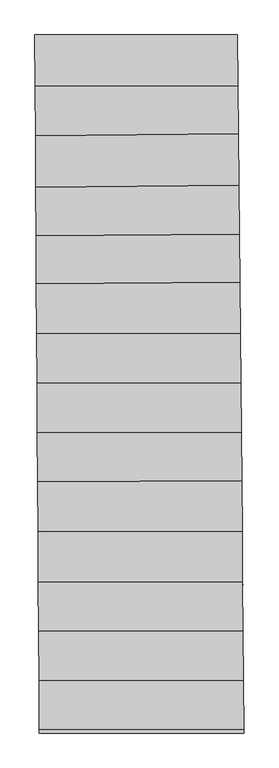
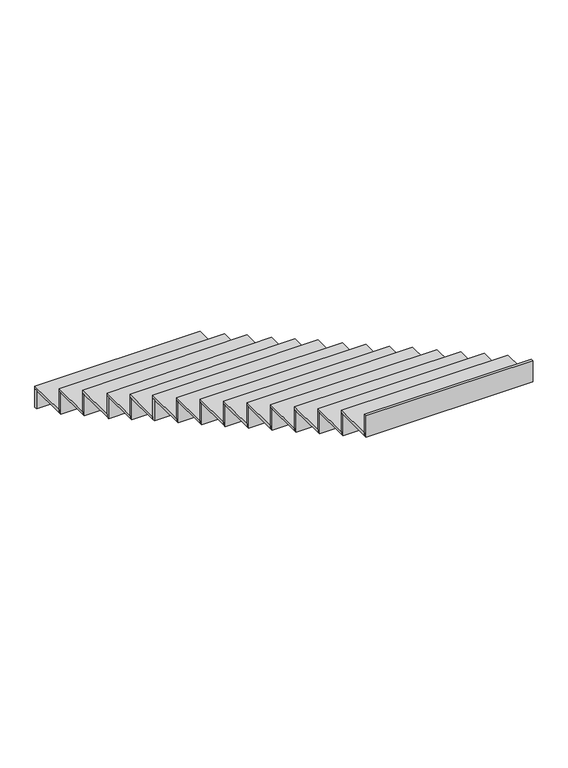
"""IFC4 building model written with IfcOpenShell, lengths in millimetres: stair flight geometry."""

from ifc_helpers import new_model, si_unit, frame, origin, place, context, project, spatial, polyline, outline, extrude, source, transform, mapped, element, save


def stair_flight_04e07ef4(model_context):
    return source(origin(), model_context, "Body", "SweptSolid", [
        extrude(outline(polyline([(112510.7137619, 73132.2398781), (112510.5868484, 73152.2398781), (113698.8256624, 73152.2398781), (113699.0102988, 73132.2398781), (112510.7137619, 73132.2398781)])), frame((0.0, 0.0, -2346.5), z_axis=(0.0, 0.0, 1.0), x_axis=(1.0, 0.0, 0.0)), (0.0, 0.0, 1.0), 141.5197413),
        extrude(outline(polyline([(113701.5951948, 72852.2413952), (112512.4948044, 72851.5694369), (112510.5868484, 73152.2398781), (113698.8256624, 73152.2398781), (113701.5951948, 72852.2413952)])), frame((0.0, 0.0, -2204.9802587), z_axis=(0.0, 0.0, 1.0), x_axis=(1.0, 0.0, 0.0)), (0.0, 0.0, 1.0), 20.0),
        extrude(outline(polyline([(112512.6217174, 72831.5695054), (112512.4948044, 72851.5694369), (113701.5951948, 72852.2413952), (113701.7798303, 72832.2414964), (112512.6217174, 72831.5695054)])), frame((0.0, 0.0, -2204.9802587), z_axis=(0.0, 0.0, 1.0), x_axis=(1.0, 0.0, 0.0)), (0.0, 0.0, 1.0), 161.5197413),
        extrude(outline(polyline([(113704.1698185, 72573.3556229), (112514.3299612, 72562.3712337), (112512.4948044, 72851.5694369), (113701.5951948, 72852.2413952), (113704.1698185, 72573.3556229)])), frame((0.0, 0.0, -2043.4605175), z_axis=(0.0, 0.0, 1.0), x_axis=(1.0, 0.0, 0.0)), (0.0, 0.0, 1.0), 20.0),
        extrude(outline(polyline([(112514.4568727, 72542.3715531), (112514.3299612, 72562.3712337), (113704.1698185, 72573.3556229), (113704.3544471, 72553.3564751), (112514.4568727, 72542.3715531)])), frame((0.0, 0.0, -2043.4605175), z_axis=(0.0, 0.0, 1.0), x_axis=(1.0, 0.0, 0.0)), (0.0, 0.0, 1.0), 161.5197413),
        extrude(outline(polyline([(113706.9392469, 72273.368406), (112516.2336324, 72262.3760244), (112514.3299612, 72562.3712337), (113704.1698185, 72573.3556229), (113706.9392469, 72273.368406)])), frame((0.0, 0.0, -1881.9407762), z_axis=(0.0, 0.0, 1.0), x_axis=(1.0, 0.0, 0.0)), (0.0, 0.0, 1.0), 20.0),
        extrude(outline(polyline([(112516.3605438, 72242.3763437), (112516.2336324, 72262.3760244), (113706.9392469, 72273.368406), (113707.1238755, 72253.3692582), (112516.3605438, 72242.3763437)])), frame((0.0, 0.0, -1881.9407762), z_axis=(0.0, 0.0, 1.0), x_axis=(1.0, 0.0, 0.0)), (0.0, 0.0, 1.0), 161.5197413),
        extrude(outline(polyline([(113709.6029306, 71984.8355677), (112518.0425582, 71977.3115178), (112516.2336324, 72262.3760244), (113706.9392469, 72273.368406), (113709.6029306, 71984.8355677)])), frame((0.0, 0.0, -1720.421035), z_axis=(0.0, 0.0, 1.0), x_axis=(1.0, 0.0, 0.0)), (0.0, 0.0, 1.0), 20.0),
        extrude(outline(polyline([(112518.1694691, 71957.3119204), (112518.0425582, 71977.3115178), (113709.6029306, 71984.8355677), (113709.7875599, 71964.8363348), (112518.1694691, 71957.3119204)])), frame((0.0, 0.0, -1720.421035), z_axis=(0.0, 0.0, 1.0), x_axis=(1.0, 0.0, 0.0)), (0.0, 0.0, 1.0), 161.5197413),
        extrude(outline(polyline([(113712.1877415, 71704.8463073), (112519.8193105, 71697.3171549), (112518.0425582, 71977.3115178), (113709.6029306, 71984.8355677), (113712.1877415, 71704.8463073)])), frame((0.0, 0.0, -1558.9012937), z_axis=(0.0, 0.0, 1.0), x_axis=(1.0, 0.0, 0.0)), (0.0, 0.0, 1.0), 20.0),
        extrude(outline(polyline([(112519.9462214, 71677.3175576), (112519.8193105, 71697.3171549), (113712.1877415, 71704.8463073), (113712.3723708, 71684.8470744), (112519.9462214, 71677.3175576)])), frame((0.0, 0.0, -1558.9012937), z_axis=(0.0, 0.0, 1.0), x_axis=(1.0, 0.0, 0.0)), (0.0, 0.0, 1.0), 161.5197413),
        extrude(outline(polyline([(113714.9569702, 71404.880727), (112521.6792951, 71404.2064081), (112519.8193105, 71697.3171549), (113712.1877415, 71704.8463073), (113714.9569702, 71404.880727)])), frame((0.0, 0.0, -1397.3815524), z_axis=(0.0, 0.0, 1.0), x_axis=(1.0, 0.0, 0.0)), (0.0, 0.0, 1.0), 20.0),
        extrude(outline(polyline([(112521.8062081, 71384.2064766), (112521.6792951, 71404.2064081), (113714.9569702, 71404.880727), (113715.1416056, 71384.8808282), (112521.8062081, 71384.2064766)])), frame((0.0, 0.0, -1397.3815524), z_axis=(0.0, 0.0, 1.0), x_axis=(1.0, 0.0, 0.0)), (0.0, 0.0, 1.0), 161.5197413),
        extrude(outline(polyline([(113717.6342639, 71114.873635), (112523.5195879, 71114.1988431), (112521.6792951, 71404.2064081), (113714.9569702, 71404.880727), (113717.6342639, 71114.873635)])), frame((0.0, 0.0, -1235.8618112), z_axis=(0.0, 0.0, 1.0), x_axis=(1.0, 0.0, 0.0)), (0.0, 0.0, 1.0), 20.0),
        extrude(outline(polyline([(112523.6465009, 71094.1989116), (112523.5195879, 71114.1988431), (113717.6342639, 71114.873635), (113717.8188993, 71094.8737361), (112523.6465009, 71094.1989116)])), frame((0.0, 0.0, -1235.8618112), z_axis=(0.0, 0.0, 1.0), x_axis=(1.0, 0.0, 0.0)), (0.0, 0.0, 1.0), 161.5197413),
        extrude(outline(polyline([(113720.3115576, 70824.866543), (112525.3598808, 70824.1912781), (112523.5195879, 71114.1988431), (113717.6342639, 71114.873635), (113720.3115576, 70824.866543)])), frame((0.0, 0.0, -1074.3420699), z_axis=(0.0, 0.0, 1.0), x_axis=(1.0, 0.0, 0.0)), (0.0, 0.0, 1.0), 20.0),
        extrude(outline(polyline([(112525.4867938, 70804.1913466), (112525.3598808, 70824.1912781), (113720.3115576, 70824.866543), (113720.496193, 70804.8666441), (112525.4867938, 70804.1913466)])), frame((0.0, 0.0, -1074.3420699), z_axis=(0.0, 0.0, 1.0), x_axis=(1.0, 0.0, 0.0)), (0.0, 0.0, 1.0), 161.5197413),
        extrude(outline(polyline([(113722.9076741, 70543.6526362), (112527.1879987, 70536.1023226), (112525.3598808, 70824.1912781), (113720.3115576, 70824.866543), (113722.9076741, 70543.6526362)])), frame((0.0, 0.0, -912.8223286), z_axis=(0.0, 0.0, 1.0), x_axis=(1.0, 0.0, 0.0)), (0.0, 0.0, 1.0), 20.0),
        extrude(outline(polyline([(112527.3149096, 70516.1027253), (112527.1879987, 70536.1023226), (113722.9076741, 70543.6526362), (113723.0923035, 70523.6534034), (112527.3149096, 70516.1027253)])), frame((0.0, 0.0, -912.8223286), z_axis=(0.0, 0.0, 1.0), x_axis=(1.0, 0.0, 0.0)), (0.0, 0.0, 1.0), 161.5197413),
        extrude(outline(polyline([(113725.6627449, 70245.2206542), (112529.0381293, 70244.5444439), (112527.1879987, 70536.1023226), (113722.9076741, 70543.6526362), (113725.6627449, 70245.2206542)])), frame((0.0, 0.0, -751.3025874), z_axis=(0.0, 0.0, 1.0), x_axis=(1.0, 0.0, 0.0)), (0.0, 0.0, 1.0), 20.0),
        extrude(outline(polyline([(112529.1650423, 70224.5445125), (112529.0381293, 70244.5444439), (113725.6627449, 70245.2206542), (113725.8473804, 70225.2207553), (112529.1650423, 70224.5445125)])), frame((0.0, 0.0, -751.3025874), z_axis=(0.0, 0.0, 1.0), x_axis=(1.0, 0.0, 0.0)), (0.0, 0.0, 1.0), 161.5197413),
        extrude(outline(polyline([(113728.386889, 69950.1386843), (112530.9106257, 69949.4619928), (112529.0381293, 70244.5444439), (113725.6627449, 70245.2206542), (113728.386889, 69950.1386843)])), frame((0.0, 0.0, -589.7828461), z_axis=(0.0, 0.0, 1.0), x_axis=(1.0, 0.0, 0.0)), (0.0, 0.0, 1.0), 20.0),
        extrude(outline(polyline([(112531.0375387, 69929.4620613), (112530.9106257, 69949.4619928), (113728.386889, 69950.1386843), (113728.5715245, 69930.1387854), (112531.0375387, 69929.4620613)])), frame((0.0, 0.0, -589.7828461), z_axis=(0.0, 0.0, 1.0), x_axis=(1.0, 0.0, 0.0)), (0.0, 0.0, 1.0), 161.5197413),
        extrude(outline(polyline([(113731.0476707, 69661.9201845), (112532.7395687, 69661.2430229), (112530.9106257, 69949.4619928), (113728.386889, 69950.1386843), (113731.0476707, 69661.9201845)])), frame((0.0, 0.0, -428.2631049), z_axis=(0.0, 0.0, 1.0), x_axis=(1.0, 0.0, 0.0)), (0.0, 0.0, 1.0), 20.0),
        extrude(outline(polyline([(112532.8664817, 69641.2430914), (112532.7395687, 69661.2430229), (113731.0476707, 69661.9201845), (113731.2323062, 69641.9202857), (112532.8664817, 69641.2430914)])), frame((0.0, 0.0, -428.2631049), z_axis=(0.0, 0.0, 1.0), x_axis=(1.0, 0.0, 0.0)), (0.0, 0.0, 1.0), 161.5197413),
        extrude(outline(polyline([(113733.7224867, 69372.1814872), (112534.5781584, 69371.5038531), (112532.7395687, 69661.2430229), (113731.0476707, 69661.9201845), (113733.7224867, 69372.1814872)])), frame((0.0, 0.0, -266.7433636), z_axis=(0.0, 0.0, 1.0), x_axis=(1.0, 0.0, 0.0)), (0.0, 0.0, 1.0), 20.0),
        extrude(outline(polyline([(112534.7050714, 69351.5039216), (112534.5781584, 69371.5038531), (113733.7224867, 69372.1814872), (113733.9071222, 69352.1815884), (112534.7050714, 69351.5039216)])), frame((0.0, 0.0, -266.7433636), z_axis=(0.0, 0.0, 1.0), x_axis=(1.0, 0.0, 0.0)), (0.0, 0.0, 1.0), 161.5197413),
        extrude(outline(polyline([(112536.5136058, 69066.5010913), (112536.3866924, 69086.5010913), (113736.3598371, 69086.5010913), (113736.5444735, 69066.5010913), (112536.5136058, 69066.5010913)])), frame((0.0, 0.0, -105.2236223), z_axis=(0.0, 0.0, 1.0), x_axis=(1.0, 0.0, 0.0)), (0.0, 0.0, 1.0), 161.5197413),
        extrude(outline(polyline([(113736.3598371, 69086.5010913), (112536.3866924, 69086.5010913), (112534.5781584, 69371.5038531), (113733.7224867, 69372.1814872), (113736.3598371, 69086.5010913)])), frame((0.0, 0.0, -105.2236223), z_axis=(0.0, 0.0, 1.0), x_axis=(1.0, 0.0, 0.0)), (0.0, 0.0, 1.0), 20.0),
    ])


if __name__ == "__main__":
    model = new_model("IFC4")
    model_context = context("Model", 3, world=origin())
    ifc_project = project(units=[si_unit("LENGTHUNIT", "METRE", prefix="MILLI")], contexts=[model_context])
    site = spatial("IfcSite", under=ifc_project)
    building = spatial("IfcBuilding", under=site)
    placement = place(None, origin())
    stair_flight_shape = stair_flight_04e07ef4(model_context)
    element("IfcStairFlight", 1, at=placement, inside=building, context=model_context, shape_type="MappedRepresentation", body=[
        mapped(stair_flight_shape, transform((0.0, 0.0, 0.0), x_axis=(1.0, 0.0, 0.0), y_axis=(0.0, 1.0, 0.0), z_axis=(0.0, 0.0, 1.0))),
    ])
    save(model, "model.ifc")
